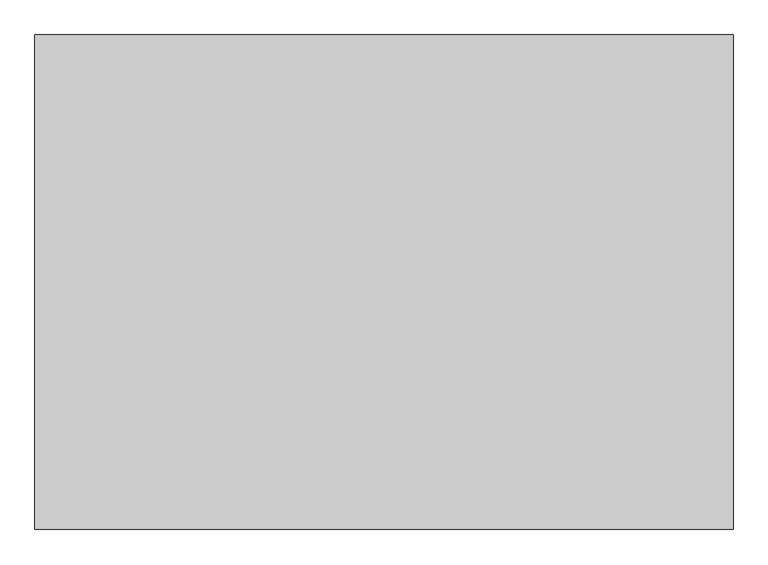
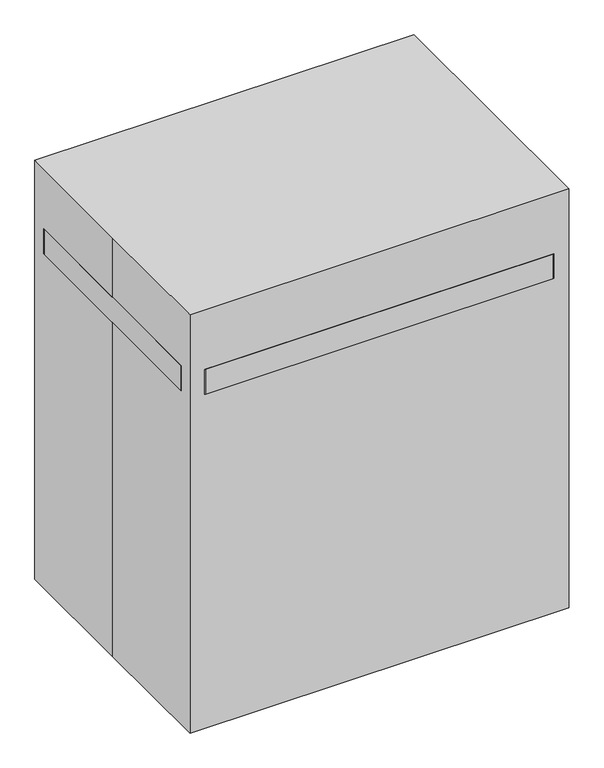
"""IFC4 building model written with IfcOpenShell, lengths in millimetres: proxy geometry."""

from ifc_helpers import new_model, si_unit, point, frame, frame_2d, origin, origin_with_axes, place, context, project, spatial, polyline, circle_curve, trimmed, segment, composite_curve, outline, extrude, source, transform, mapped, element, save


def specialty_equipment_5280c787(model_context):
    return source(origin(), model_context, "Body", "SweptSolid", [
        extrude(outline(polyline([(577.85, -266.7), (514.35, -266.7), (514.35, 266.7), (577.85, 266.7), (577.85, -266.7)])), frame((0.0, 0.0, 108.19085), z_axis=(0.0, 0.0, 1.0), x_axis=(1.0, 0.0, 0.0)), (0.0, 0.0, 1.0), 63.5),
        extrude(outline(polyline([(-488.95, -31.75), (-552.45, -31.75), (-552.45, 31.75), (-488.95, 31.75), (-488.95, -31.75)])), frame((0.0, 0.0, 171.69085), z_axis=(0.0, 0.0, 1.0), x_axis=(1.0, 0.0, 0.0)), (0.0, 0.0, 1.0), 277.1108167),
        extrude(outline(polyline([(-482.6, -38.1), (-558.8, -38.1), (-558.8, 38.1), (-482.6, 38.1), (-482.6, -38.1)])), frame((0.0, 0.0, 448.8016667), z_axis=(0.0, 0.0, 1.0), x_axis=(1.0, 0.0, 0.0)), (0.0, 0.0, 1.0), 609.6),
        extrude(outline(polyline([(592.9479317, -266.7), (592.9479317, -342.9), (-558.8, -342.9), (-558.8, -266.7), (592.9479317, -266.7)])), frame((0.0, 0.0, 99.5516667), z_axis=(0.0, 0.0, 1.0), x_axis=(1.0, 0.0, 0.0)), (0.0, 0.0, 1.0), 76.2),
        extrude(outline(polyline([(592.9479317, 342.9), (592.9479317, 266.7), (-558.8, 266.7), (-558.8, 342.9), (592.9479317, 342.9)])), frame((0.0, 0.0, 99.5516667), z_axis=(0.0, 0.0, 1.0), x_axis=(1.0, 0.0, 0.0)), (0.0, 0.0, 1.0), 76.2),
        extrude(outline(polyline([(-488.95, -266.7), (-552.45, -266.7), (-552.45, 266.7), (-488.95, 266.7), (-488.95, -266.7)])), frame((0.0, 0.0, 108.19085), z_axis=(0.0, 0.0, 1.0), x_axis=(1.0, 0.0, 0.0)), (0.0, 0.0, 1.0), 63.5),
        extrude(outline(composite_curve([segment(trimmed(circle_curve(frame_2d((50.8, -503.7666667)), 50.8), [point((50.8, -554.5666667))], [point((50.8, -452.9666667))], False, "CARTESIAN"), True, "CONTINUOUS"), segment(trimmed(circle_curve(frame_2d((50.8, -503.7666667)), 50.8), [point((50.8, -452.9666667))], [point((50.8, -554.5666667))], False, "CARTESIAN"), True, "CONTINUOUS")], self_intersect=False)), frame((0.0, -285.75, 0.0), z_axis=(0.0, 1.0, 0.0), x_axis=(0.0, 0.0, 1.0)), (0.0, 0.0, 1.0), 19.05),
        extrude(outline(composite_curve([segment(trimmed(circle_curve(frame_2d((50.8, -503.7666667)), 50.8), [point((50.8, -554.5666667))], [point((50.8, -452.9666667))], False, "CARTESIAN"), True, "CONTINUOUS"), segment(trimmed(circle_curve(frame_2d((50.8, -503.7666667)), 50.8), [point((50.8, -452.9666667))], [point((50.8, -554.5666667))], False, "CARTESIAN"), True, "CONTINUOUS")], self_intersect=False)), frame((0.0, -342.9, 0.0), z_axis=(0.0, 1.0, 0.0), x_axis=(0.0, 0.0, 1.0)), (0.0, 0.0, 1.0), 19.05),
        extrude(outline(composite_curve([segment(trimmed(circle_curve(frame_2d((-520.7, -304.8)), 16.9333333), [point((-520.7, -321.7333333))], [point((-520.7, -287.8666667))], False, "CARTESIAN"), True, "CONTINUOUS"), segment(trimmed(circle_curve(frame_2d((-520.7, -304.8)), 16.9333333), [point((-520.7, -287.8666667))], [point((-520.7, -321.7333333))], False, "CARTESIAN"), True, "CONTINUOUS")], self_intersect=False)), frame((0.0, 0.0, 50.8), z_axis=(0.0, 0.0, 1.0), x_axis=(1.0, 0.0, 0.0)), (0.0, 0.0, 1.0), 50.8),
        extrude(outline(composite_curve([segment(trimmed(circle_curve(frame_2d((50.8, -503.7666667)), 33.8666667), [point((50.8, -469.9))], [point((50.8, -537.6333333))], False, "CARTESIAN"), True, "CONTINUOUS"), segment(trimmed(circle_curve(frame_2d((50.8, -503.7666667)), 33.8666667), [point((50.8, -537.6333333))], [point((50.8, -469.9))], False, "CARTESIAN"), True, "CONTINUOUS")], self_intersect=False)), frame((0.0, -323.85, 0.0), z_axis=(0.0, 1.0, 0.0), x_axis=(0.0, 0.0, 1.0)), (0.0, 0.0, 1.0), 38.1),
        extrude(outline(composite_curve([segment(trimmed(circle_curve(frame_2d((50.8, -503.7666667)), 50.8), [point((50.8, -554.5666667))], [point((50.8, -452.9666667))], False, "CARTESIAN"), True, "CONTINUOUS"), segment(trimmed(circle_curve(frame_2d((50.8, -503.7666667)), 50.8), [point((50.8, -452.9666667))], [point((50.8, -554.5666667))], False, "CARTESIAN"), True, "CONTINUOUS")], self_intersect=False)), frame((0.0, 269.6617179, 0.0), z_axis=(0.0, 1.0, 0.0), x_axis=(0.0, 0.0, 1.0)), (0.0, 0.0, 1.0), 19.05),
        extrude(outline(composite_curve([segment(trimmed(circle_curve(frame_2d((50.8, -503.7666667)), 50.8), [point((50.8, -554.5666667))], [point((50.8, -452.9666667))], False, "CARTESIAN"), True, "CONTINUOUS"), segment(trimmed(circle_curve(frame_2d((50.8, -503.7666667)), 50.8), [point((50.8, -452.9666667))], [point((50.8, -554.5666667))], False, "CARTESIAN"), True, "CONTINUOUS")], self_intersect=False)), frame((0.0, 326.8117179, 0.0), z_axis=(0.0, 1.0, 0.0), x_axis=(0.0, 0.0, 1.0)), (0.0, 0.0, 1.0), 19.05),
        extrude(outline(composite_curve([segment(trimmed(circle_curve(frame_2d((-520.7, 307.7617179)), 16.9333333), [point((-520.7, 324.6950513))], [point((-520.7, 290.8283846))], False, "CARTESIAN"), True, "CONTINUOUS"), segment(trimmed(circle_curve(frame_2d((-520.7, 307.7617179)), 16.9333333), [point((-520.7, 290.8283846))], [point((-520.7, 324.6950513))], False, "CARTESIAN"), True, "CONTINUOUS")], self_intersect=False)), frame((0.0, 0.0, 50.8), z_axis=(0.0, 0.0, 1.0), x_axis=(1.0, 0.0, 0.0)), (0.0, 0.0, 1.0), 50.8),
        extrude(outline(composite_curve([segment(trimmed(circle_curve(frame_2d((50.8, -503.7666667)), 33.8666667), [point((50.8, -469.9))], [point((50.8, -537.6333333))], False, "CARTESIAN"), True, "CONTINUOUS"), segment(trimmed(circle_curve(frame_2d((50.8, -503.7666667)), 33.8666667), [point((50.8, -537.6333333))], [point((50.8, -469.9))], False, "CARTESIAN"), True, "CONTINUOUS")], self_intersect=False)), frame((0.0, 288.7117179, 0.0), z_axis=(0.0, 1.0, 0.0), x_axis=(0.0, 0.0, 1.0)), (0.0, 0.0, 1.0), 38.1),
        extrude(outline(polyline([(558.8, -266.7), (482.6, -266.7), (482.6, 266.7), (558.8, 266.7), (558.8, -266.7)])), frame((0.0, 0.0, 1058.4016667), z_axis=(0.0, 0.0, 1.0), x_axis=(1.0, 0.0, 0.0)), (0.0, 0.0, 1.0), 76.2),
        extrude(outline(polyline([(-482.6, -266.7), (-558.8, -266.7), (-558.8, 266.7), (-482.6, 266.7), (-482.6, -266.7)])), frame((0.0, 0.0, 1058.4016667), z_axis=(0.0, 0.0, 1.0), x_axis=(1.0, 0.0, 0.0)), (0.0, 0.0, 1.0), 76.2),
        extrude(outline(polyline([(558.8, -266.7), (558.8, -342.9), (-558.8, -342.9), (-558.8, -266.7), (558.8, -266.7)])), frame((0.0, 0.0, 1058.4016667), z_axis=(0.0, 0.0, 1.0), x_axis=(1.0, 0.0, 0.0)), (0.0, 0.0, 1.0), 76.2),
        extrude(outline(polyline([(558.8, 342.9), (558.8, 266.7), (-558.8, 266.7), (-558.8, 342.9), (558.8, 342.9)])), frame((0.0, 0.0, 1058.4016667), z_axis=(0.0, 0.0, 1.0), x_axis=(1.0, 0.0, 0.0)), (0.0, 0.0, 1.0), 76.2),
        extrude(outline(composite_curve([segment(trimmed(circle_curve(frame_2d((50.8, 558.8)), 50.8), [point((50.8, 609.6))], [point((50.8, 508.0))], False, "CARTESIAN"), True, "CONTINUOUS"), segment(trimmed(circle_curve(frame_2d((50.8, 558.8)), 50.8), [point((50.8, 508.0))], [point((50.8, 609.6))], False, "CARTESIAN"), True, "CONTINUOUS")], self_intersect=False)), frame((0.0, -285.75, 0.0), z_axis=(0.0, 1.0, 0.0), x_axis=(0.0, 0.0, 1.0)), (0.0, 0.0, 1.0), 19.05),
        extrude(outline(composite_curve([segment(trimmed(circle_curve(frame_2d((50.8, 558.8)), 50.8), [point((50.8, 609.6))], [point((50.8, 508.0))], False, "CARTESIAN"), True, "CONTINUOUS"), segment(trimmed(circle_curve(frame_2d((50.8, 558.8)), 50.8), [point((50.8, 508.0))], [point((50.8, 609.6))], False, "CARTESIAN"), True, "CONTINUOUS")], self_intersect=False)), frame((0.0, -342.9, 0.0), z_axis=(0.0, 1.0, 0.0), x_axis=(0.0, 0.0, 1.0)), (0.0, 0.0, 1.0), 19.05),
        extrude(outline(composite_curve([segment(trimmed(circle_curve(frame_2d((575.7333333, -304.8)), 16.9333333), [point((575.7333333, -321.7333333))], [point((575.7333333, -287.8666667))], False, "CARTESIAN"), True, "CONTINUOUS"), segment(trimmed(circle_curve(frame_2d((575.7333333, -304.8)), 16.9333333), [point((575.7333333, -287.8666667))], [point((575.7333333, -321.7333333))], False, "CARTESIAN"), True, "CONTINUOUS")], self_intersect=False)), frame((0.0, 0.0, 50.8), z_axis=(0.0, 0.0, 1.0), x_axis=(1.0, 0.0, 0.0)), (0.0, 0.0, 1.0), 50.8),
        extrude(outline(composite_curve([segment(trimmed(circle_curve(frame_2d((50.8, 558.8)), 33.8666667), [point((50.8, 524.9333333))], [point((50.8, 592.6666667))], False, "CARTESIAN"), True, "CONTINUOUS"), segment(trimmed(circle_curve(frame_2d((50.8, 558.8)), 33.8666667), [point((50.8, 592.6666667))], [point((50.8, 524.9333333))], False, "CARTESIAN"), True, "CONTINUOUS")], self_intersect=False)), frame((0.0, -323.85, 0.0), z_axis=(0.0, 1.0, 0.0), x_axis=(0.0, 0.0, 1.0)), (0.0, 0.0, 1.0), 38.1),
        extrude(outline(composite_curve([segment(trimmed(circle_curve(frame_2d((50.8, 558.8)), 50.8), [point((50.8, 609.6))], [point((50.8, 508.0))], False, "CARTESIAN"), True, "CONTINUOUS"), segment(trimmed(circle_curve(frame_2d((50.8, 558.8)), 50.8), [point((50.8, 508.0))], [point((50.8, 609.6))], False, "CARTESIAN"), True, "CONTINUOUS")], self_intersect=False)), frame((0.0, 269.6617179, 0.0), z_axis=(0.0, 1.0, 0.0), x_axis=(0.0, 0.0, 1.0)), (0.0, 0.0, 1.0), 19.05),
        extrude(outline(composite_curve([segment(trimmed(circle_curve(frame_2d((50.8, 558.8)), 50.8), [point((50.8, 609.6))], [point((50.8, 508.0))], False, "CARTESIAN"), True, "CONTINUOUS"), segment(trimmed(circle_curve(frame_2d((50.8, 558.8)), 50.8), [point((50.8, 508.0))], [point((50.8, 609.6))], False, "CARTESIAN"), True, "CONTINUOUS")], self_intersect=False)), frame((0.0, 326.8117179, 0.0), z_axis=(0.0, 1.0, 0.0), x_axis=(0.0, 0.0, 1.0)), (0.0, 0.0, 1.0), 19.05),
        extrude(outline(composite_curve([segment(trimmed(circle_curve(frame_2d((575.7333333, 307.7617179)), 16.9333333), [point((575.7333333, 324.6950513))], [point((575.7333333, 290.8283846))], False, "CARTESIAN"), True, "CONTINUOUS"), segment(trimmed(circle_curve(frame_2d((575.7333333, 307.7617179)), 16.9333333), [point((575.7333333, 290.8283846))], [point((575.7333333, 324.6950513))], False, "CARTESIAN"), True, "CONTINUOUS")], self_intersect=False)), frame((0.0, 0.0, 50.8), z_axis=(0.0, 0.0, 1.0), x_axis=(1.0, 0.0, 0.0)), (0.0, 0.0, 1.0), 50.8),
        extrude(outline(composite_curve([segment(trimmed(circle_curve(frame_2d((50.8, 558.8)), 33.8666667), [point((50.8, 524.9333333))], [point((50.8, 592.6666667))], False, "CARTESIAN"), True, "CONTINUOUS"), segment(trimmed(circle_curve(frame_2d((50.8, 558.8)), 33.8666667), [point((50.8, 592.6666667))], [point((50.8, 524.9333333))], False, "CARTESIAN"), True, "CONTINUOUS")], self_intersect=False)), frame((0.0, 288.7117179, 0.0), z_axis=(0.0, 1.0, 0.0), x_axis=(0.0, 0.0, 1.0)), (0.0, 0.0, 1.0), 38.1),
        extrude(outline(composite_curve([segment(trimmed(circle_curve(frame_2d((558.8, 381.0)), 50.8), [point((558.8, 431.8))], [point((609.6, 381.0))], False, "CARTESIAN"), True, "CONTINUOUS"), segment(polyline([(609.6, 381.0), (609.6, -381.0)]), True, "CONTINUOUS"), segment(trimmed(circle_curve(frame_2d((558.8, -381.0)), 50.8), [point((609.6, -381.0))], [point((558.8, -431.8))], False, "CARTESIAN"), True, "CONTINUOUS"), segment(polyline([(558.8, -431.8), (-558.8, -431.8)]), True, "CONTINUOUS"), segment(trimmed(circle_curve(frame_2d((-558.8, -381.0)), 50.8), [point((-558.8, -431.8))], [point((-609.6, -381.0))], False, "CARTESIAN"), True, "CONTINUOUS"), segment(polyline([(-609.6, -381.0), (-609.6, 381.0)]), True, "CONTINUOUS"), segment(trimmed(circle_curve(frame_2d((-558.8, 381.0)), 50.8), [point((-609.6, 381.0))], [point((-558.8, 431.8))], False, "CARTESIAN"), True, "CONTINUOUS"), segment(polyline([(-558.8, 431.8), (558.8, 431.8)]), True, "CONTINUOUS")], self_intersect=False)), frame((0.0, 0.0, 1134.6016667), z_axis=(0.0, 0.0, 1.0), x_axis=(1.0, 0.0, 0.0)), (0.0, 0.0, 1.0), 84.5983333),
        extrude(outline(polyline([(-609.6, 431.8), (609.6, 431.8), (609.6, -431.8), (-609.6, -431.8), (-609.6, 0.0), (-609.6, 431.8)])), origin_with_axes(), (0.0, 0.0, 1.0), 1422.4),
    ])


if __name__ == "__main__":
    model = new_model("IFC4")
    model_context = context("Model", 3, world=origin())
    ifc_project = project(units=[si_unit("LENGTHUNIT", "METRE", prefix="MILLI")], contexts=[model_context])
    site = spatial("IfcSite", under=ifc_project)
    building = spatial("IfcBuilding", under=site)
    placement = place(None, origin())
    specialty_equipment_shape = specialty_equipment_5280c787(model_context)
    element("IfcBuildingElementProxy", 1, Name="Specialty Equipment", at=placement, inside=building, context=model_context, shape_type="MappedRepresentation", body=[
        mapped(specialty_equipment_shape, transform((0.0, 0.0, 0.0), x_axis=(1.0, 0.0, 0.0), y_axis=(0.0, 1.0, 0.0), z_axis=(0.0, 0.0, 1.0))),
    ])
    save(model, "model.ifc")
